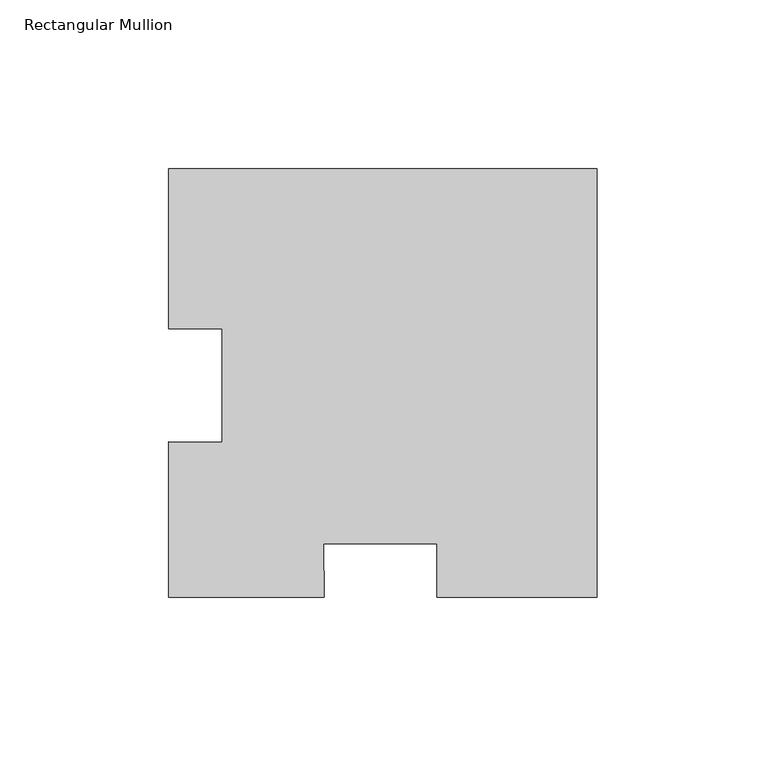
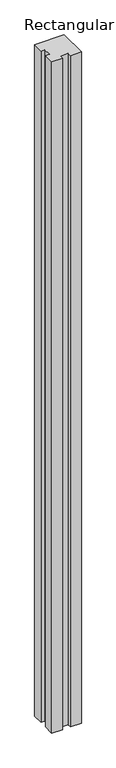
"""IFC4 building model written with IfcOpenShell, lengths in millimetres: member geometry, Rectangular Mullion."""

from ifc_helpers import new_model, si_unit, frame, origin, place, context, project, spatial, polyline, outline, extrude, source, transform, mapped, element, save


def rectangular_mullion_7181826b(model_context):
    return source(origin(), model_context, "Body", "SweptSolid", [
        extrude(outline(polyline([(0.0, 64.6938), (0.0, -62.3062), (-47.4593888, -62.3062), (-47.4593888, -46.4312), (-81.0848677, -46.4312), (-80.8908185, -62.3062), (-127.0, -62.3062), (-127.0, -16.1970185), (-111.125, -16.3910677), (-111.125, 17.2339), (-127.0, 17.2339), (-127.0, 64.6938), (0.0, 64.6938)])), frame((0.0, 0.0, -3048.0), z_axis=(0.0, 0.0, 1.0), x_axis=(1.0, 0.0, 0.0)), (0.0, 0.0, 1.0), 3048.0),
    ])


if __name__ == "__main__":
    model = new_model("IFC4")
    model_context = context("Model", 3, world=origin())
    ifc_project = project(units=[si_unit("LENGTHUNIT", "METRE", prefix="MILLI")], contexts=[model_context])
    site = spatial("IfcSite", under=ifc_project)
    building = spatial("IfcBuilding", under=site)
    placement = place(None, origin())
    rectangular_mullion_shape = rectangular_mullion_7181826b(model_context)
    element("IfcMember", 1, ObjectType="Rectangular Mullion", at=placement, inside=building, context=model_context, shape_type="MappedRepresentation", body=[
        mapped(rectangular_mullion_shape, transform((0.0, 0.0, 0.0), x_axis=(1.0, 0.0, 0.0), y_axis=(0.0, 1.0, 0.0), z_axis=(0.0, 0.0, 1.0))),
    ])
    save(model, "model.ifc")
